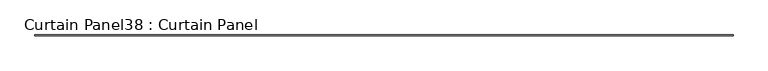
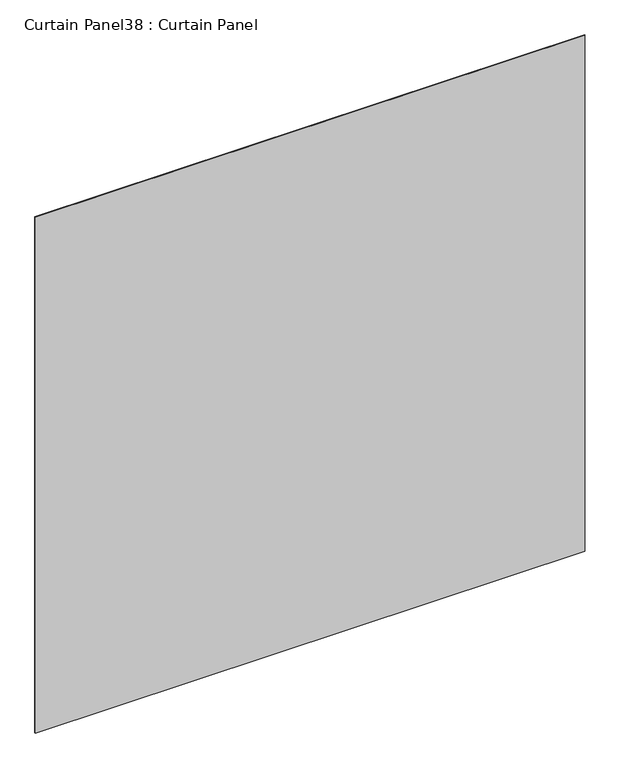
"""IFC4 building model written with IfcOpenShell, lengths in millimetres: plate geometry, Curtain Panel38 : Curtain Panel."""

from ifc_helpers import new_model, si_unit, frame, origin, place, context, project, spatial, polyline, outline, extrude, source, transform, mapped, element, save


def curtain_panel38_curtain_panel_6c9c66c5(model_context):
    return source(origin(), model_context, "Body", "SweptSolid", [
        extrude(outline(polyline([(634068.3506153, 2961.2292268), (628020.1978653, 2961.2292268), (628020.1978653, 2967.5792268), (634068.3506153, 2967.5792268), (634068.3506153, 2961.2292268)])), frame((0.0, 0.0, 11351.416886), z_axis=(0.0, 0.0, 1.0), x_axis=(1.0, 0.0, 0.0)), (0.0, 0.0, 1.0), 6000.75),
    ])


if __name__ == "__main__":
    model = new_model("IFC4")
    model_context = context("Model", 3, world=origin())
    ifc_project = project(units=[si_unit("LENGTHUNIT", "METRE", prefix="MILLI")], contexts=[model_context])
    site = spatial("IfcSite", under=ifc_project)
    building = spatial("IfcBuilding", under=site)
    placement = place(None, origin())
    curtain_panel38_curtain_panel_shape = curtain_panel38_curtain_panel_6c9c66c5(model_context)
    element("IfcPlate", 1, ObjectType="Curtain Panel38 : Curtain Panel", at=placement, inside=building, context=model_context, shape_type="MappedRepresentation", body=[
        mapped(curtain_panel38_curtain_panel_shape, transform((0.0, 0.0, 0.0), x_axis=(1.0, 0.0, 0.0), y_axis=(0.0, 1.0, 0.0), z_axis=(0.0, 0.0, 1.0))),
    ])
    save(model, "model.ifc")
